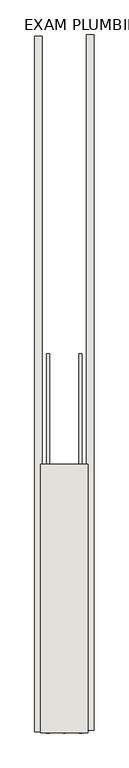
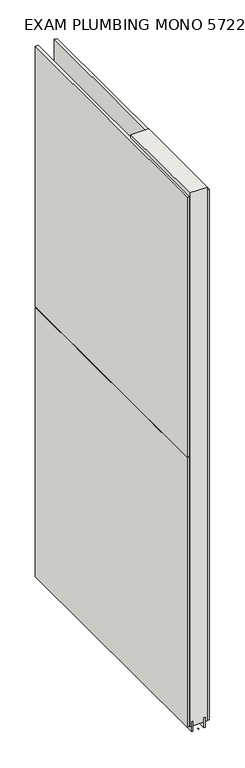
"""IFC4 building model written with IfcOpenShell, lengths in millimetres: wall geometry, EXAM PLUMBING MONO 572297 : EXAM PLUMBING MONO 572297."""

from ifc_helpers import new_model, si_unit, frame, origin, place, context, project, spatial, polyline, outline, extrude, source, transform, mapped, element, save


def exam_plumbing_mono_572297_exam_plumbing_mono_572297_cc538d18(model_context):
    return source(origin(), model_context, "Body", "SweptSolid", [
        extrude(outline(polyline([(44096.3639026, -44923.1667702), (44096.3639026, -44920.6267702), (44098.9039026, -44920.6267702), (44098.9039026, -44923.1667702), (44096.3639026, -44923.1667702)])), frame((0.0, 0.0, 4419.6), z_axis=(0.0, 0.0, 1.0), x_axis=(1.0, 0.0, 0.0)), (0.0, 0.0, 1.0), 2.54),
        extrude(outline(polyline([(44148.4339026, -43725.2019322), (44148.4339026, -44918.7020598), (44135.7339026, -44918.7020598), (44135.7339026, -43725.2019322), (44148.4339026, -43725.2019322)])), frame((0.0, 0.0, 4445.0), z_axis=(0.0, 0.0, 1.0), x_axis=(1.0, 0.0, 0.0)), (0.0, 0.0, 1.0), 2545.0498756),
        extrude(outline(polyline([(44046.8339026, -44921.170127), (44046.8339026, -43727.6699994), (44059.5339026, -43727.6699994), (44059.5339026, -44921.170127), (44046.8339026, -44921.170127)])), frame((0.0, 0.0, 4445.0), z_axis=(0.0, 0.0, 1.0), x_axis=(1.0, 0.0, 0.0)), (0.0, 0.0, 1.0), 1293.400004),
        extrude(outline(polyline([(44046.8339026, -44921.170127), (44046.8339026, -43727.6699994), (44059.5339026, -43727.6699994), (44059.5339026, -44921.170127), (44046.8339026, -44921.170127)])), frame((0.0, 0.0, 5742.4000722), z_axis=(0.0, 0.0, 1.0), x_axis=(1.0, 0.0, 0.0)), (0.0, 0.0, 1.0), 1247.649905),
        extrude(outline(polyline([(44122.720746, -44923.1773112), (44122.720746, -44271.7690128), (44127.7995014, -44271.7690128), (44127.7995014, -44923.1773112), (44122.720746, -44923.1773112)])), frame((0.0, 0.0, 4418.6602), z_axis=(0.0, 0.0, 1.0), x_axis=(1.0, 0.0, 0.0)), (0.0, 0.0, 1.0), 47.625),
        extrude(outline(polyline([(44122.720746, -44923.1773112), (44122.720746, -44271.7690128), (44127.7995014, -44271.7690128), (44127.7995014, -44923.1773112), (44122.720746, -44923.1773112)])), frame((0.0, 0.0, 4418.6602), z_axis=(0.0, 0.0, 1.0), x_axis=(1.0, 0.0, 0.0)), (0.0, 0.0, 1.0), 47.625),
        extrude(outline(polyline([(44072.556381, -44271.7690128), (44072.556381, -44923.1773112), (44067.4745014, -44923.1773112), (44067.4745014, -44271.7690128), (44072.556381, -44271.7690128)])), frame((0.0, 0.0, 4418.6602), z_axis=(0.0, 0.0, 1.0), x_axis=(1.0, 0.0, 0.0)), (0.0, 0.0, 1.0), 47.625),
        extrude(outline(polyline([(44072.556381, -44271.7690128), (44072.556381, -44923.1773112), (44067.4745014, -44923.1773112), (44067.4745014, -44271.7690128), (44072.556381, -44271.7690128)])), frame((0.0, 0.0, 4418.6602), z_axis=(0.0, 0.0, 1.0), x_axis=(1.0, 0.0, 0.0)), (0.0, 0.0, 1.0), 47.625),
        extrude(outline(polyline([(44138.2670954, -44923.1773112), (44056.9852412, -44923.1773112), (44056.9852412, -44462.2690128), (44138.2670954, -44462.2690128), (44138.2670954, -44923.1773112)])), frame((0.0, 0.0, 4445.0), z_axis=(0.0, 0.0, 1.0), x_axis=(1.0, 0.0, 0.0)), (0.0, 0.0, 1.0), 2562.4536762),
    ])


if __name__ == "__main__":
    model = new_model("IFC4")
    model_context = context("Model", 3, world=origin())
    ifc_project = project(units=[si_unit("LENGTHUNIT", "METRE", prefix="MILLI")], contexts=[model_context])
    site = spatial("IfcSite", under=ifc_project)
    building = spatial("IfcBuilding", under=site)
    placement = place(None, origin())
    exam_plumbing_mono_572297_exam_plumbing_mono_572297_shape = exam_plumbing_mono_572297_exam_plumbing_mono_572297_cc538d18(model_context)
    element("IfcWall", 1, ObjectType="EXAM PLUMBING MONO 572297 : EXAM PLUMBING MONO 572297", at=placement, inside=building, context=model_context, shape_type="MappedRepresentation", body=[
        mapped(exam_plumbing_mono_572297_exam_plumbing_mono_572297_shape, transform((0.0, 0.0, 0.0), x_axis=(1.0, 0.0, 0.0), y_axis=(0.0, 1.0, 0.0), z_axis=(0.0, 0.0, 1.0))),
    ])
    save(model, "model.ifc")
